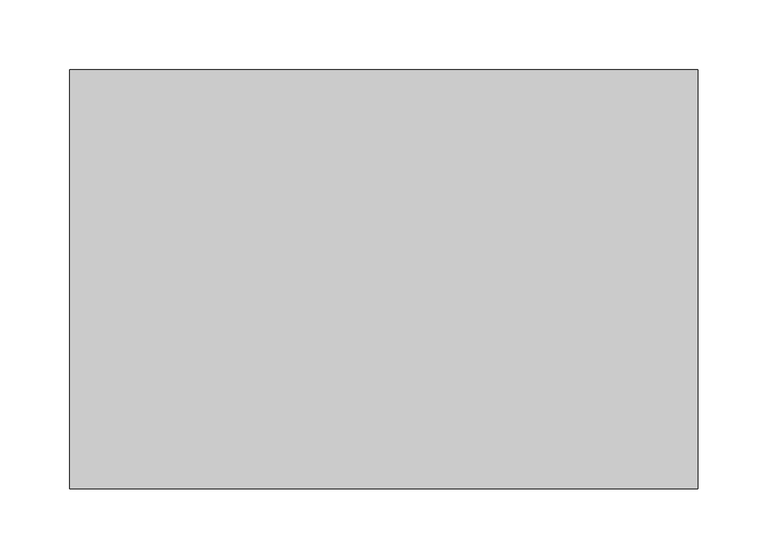
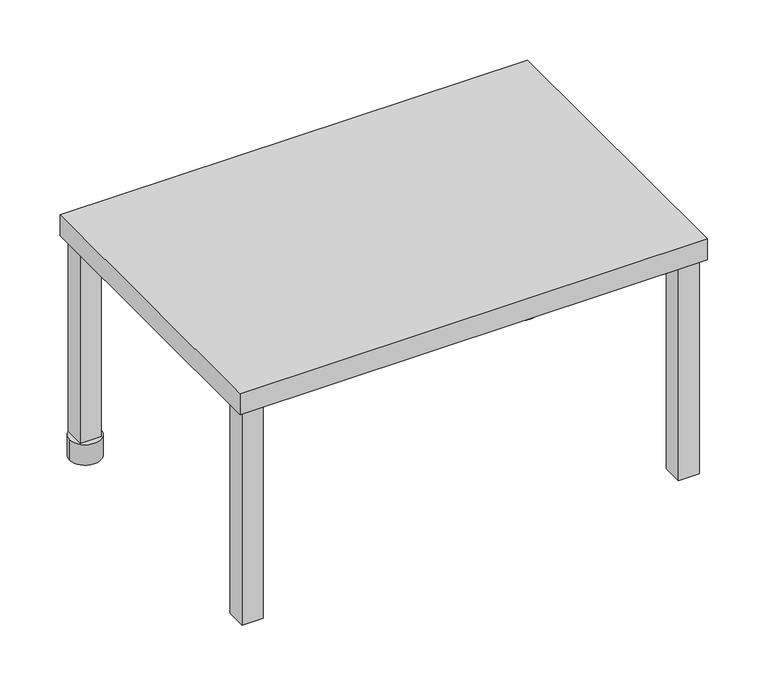
"""IFC4 building model written with IfcOpenShell, lengths in millimetres: proxy geometry."""

from ifc_helpers import new_model, si_unit, point, frame, frame_2d, origin, origin_with_axes, place, context, project, spatial, polyline, circle_curve, trimmed, segment, composite_curve, outline, extrude, source, transform, mapped, element, save


def specialty_equipment_5f45a567(model_context):
    return source(origin(), model_context, "Body", "SweptSolid", [
        extrude(outline(composite_curve([segment(trimmed(circle_curve(frame_2d((209.6875, 134.6875)), 15.0), [point((224.6875, 134.6875))], [point((194.6875, 134.6875))], False, "CARTESIAN"), True, "CONTINUOUS"), segment(trimmed(circle_curve(frame_2d((209.6875, 134.6875)), 15.0), [point((194.6875, 134.6875))], [point((224.6875, 134.6875))], False, "CARTESIAN"), True, "CONTINUOUS")], self_intersect=False)), origin_with_axes(), (0.0, 0.0, 1.0), 20.7270677),
        extrude(outline(composite_curve([segment(trimmed(circle_curve(frame_2d((-209.6875, 134.6875)), 15.0), [point((-224.6875, 134.6875))], [point((-194.6875, 134.6875))], False, "CARTESIAN"), True, "CONTINUOUS"), segment(trimmed(circle_curve(frame_2d((-209.6875, 134.6875)), 15.0), [point((-194.6875, 134.6875))], [point((-224.6875, 134.6875))], False, "CARTESIAN"), True, "CONTINUOUS")], self_intersect=False)), origin_with_axes(), (0.0, 0.0, 1.0), 20.7270677),
        extrude(outline(polyline([(-200.0, 145.0), (-200.0, 125.0), (-220.0, 125.0), (-220.0, 145.0), (-200.0, 145.0)])), origin_with_axes(), (0.0, 0.0, 1.0), 218.7354549),
        extrude(outline(polyline([(200.0, 145.0), (220.0, 145.0), (220.0, 125.0), (200.0, 125.0), (200.0, 145.0)])), origin_with_axes(), (0.0, 0.0, 1.0), 218.7354549),
        extrude(outline(polyline([(-200.0, -145.0), (-220.0, -145.0), (-220.0, -125.0), (-200.0, -125.0), (-200.0, -145.0)])), origin_with_axes(), (0.0, 0.0, 1.0), 218.7354549),
        extrude(outline(polyline([(200.0, -145.0), (200.0, -125.0), (220.0, -125.0), (220.0, -145.0), (200.0, -145.0)])), origin_with_axes(), (0.0, 0.0, 1.0), 218.7354549),
        extrude(outline(polyline([(225.0, 150.0), (225.0, -150.0), (-225.0, -150.0), (-225.0, 150.0), (225.0, 150.0)])), frame((0.0, 0.0, 218.7354549), z_axis=(0.0, 0.0, 1.0), x_axis=(1.0, 0.0, 0.0)), (0.0, 0.0, 1.0), 21.2645451),
    ])


if __name__ == "__main__":
    model = new_model("IFC4")
    model_context = context("Model", 3, world=origin())
    ifc_project = project(units=[si_unit("LENGTHUNIT", "METRE", prefix="MILLI")], contexts=[model_context])
    site = spatial("IfcSite", under=ifc_project)
    building = spatial("IfcBuilding", under=site)
    placement = place(None, origin())
    specialty_equipment_shape = specialty_equipment_5f45a567(model_context)
    element("IfcBuildingElementProxy", 1, Name="Specialty Equipment", at=placement, inside=building, context=model_context, shape_type="MappedRepresentation", body=[
        mapped(specialty_equipment_shape, transform((0.0, 0.0, 0.0), x_axis=(1.0, 0.0, 0.0), y_axis=(0.0, 1.0, 0.0), z_axis=(0.0, 0.0, 1.0))),
    ])
    save(model, "model.ifc")
